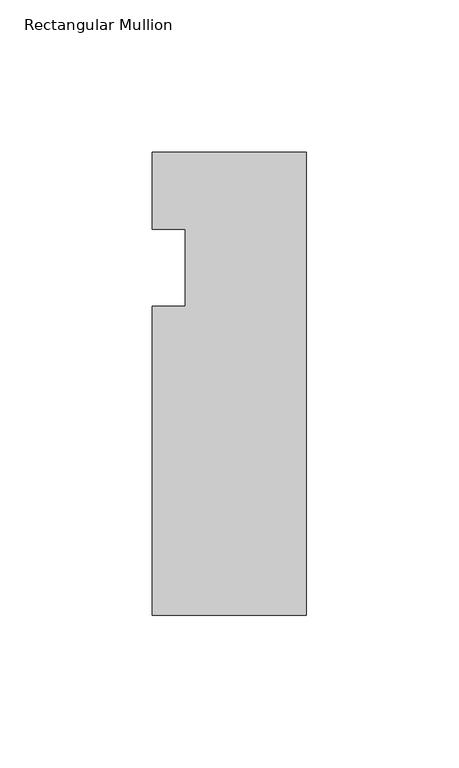
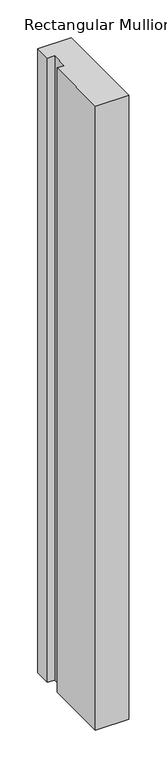
"""IFC4 building model written with IfcOpenShell, lengths in millimetres: member geometry, Rectangular Mullion."""

from ifc_helpers import new_model, si_unit, frame, origin, place, context, project, spatial, polyline, outline, extrude, source, transform, mapped, element, save


def rectangular_mullion_7874c2d1(model_context):
    return source(origin(), model_context, "Body", "SweptSolid", [
        extrude(outline(polyline([(0.0, 0.0), (0.0, -152.4), (-50.8, -152.4), (-50.8, -50.8), (-39.798625, -50.8), (-39.798625, -25.4), (-50.8, -25.4), (-50.8, 0.0), (0.0, 0.0)])), frame((0.0, 0.0, -1007.5331431), z_axis=(0.0, 0.0, 1.0), x_axis=(1.0, 0.0, 0.0)), (0.0, 0.0, 1.0), 1007.5331431),
    ])


if __name__ == "__main__":
    model = new_model("IFC4")
    model_context = context("Model", 3, world=origin())
    ifc_project = project(units=[si_unit("LENGTHUNIT", "METRE", prefix="MILLI")], contexts=[model_context])
    site = spatial("IfcSite", under=ifc_project)
    building = spatial("IfcBuilding", under=site)
    placement = place(None, origin())
    rectangular_mullion_shape = rectangular_mullion_7874c2d1(model_context)
    element("IfcMember", 1, ObjectType="Rectangular Mullion", at=placement, inside=building, context=model_context, shape_type="MappedRepresentation", body=[
        mapped(rectangular_mullion_shape, transform((0.0, 0.0, 0.0), x_axis=(1.0, 0.0, 0.0), y_axis=(0.0, 1.0, 0.0), z_axis=(0.0, 0.0, 1.0))),
    ])
    save(model, "model.ifc")
